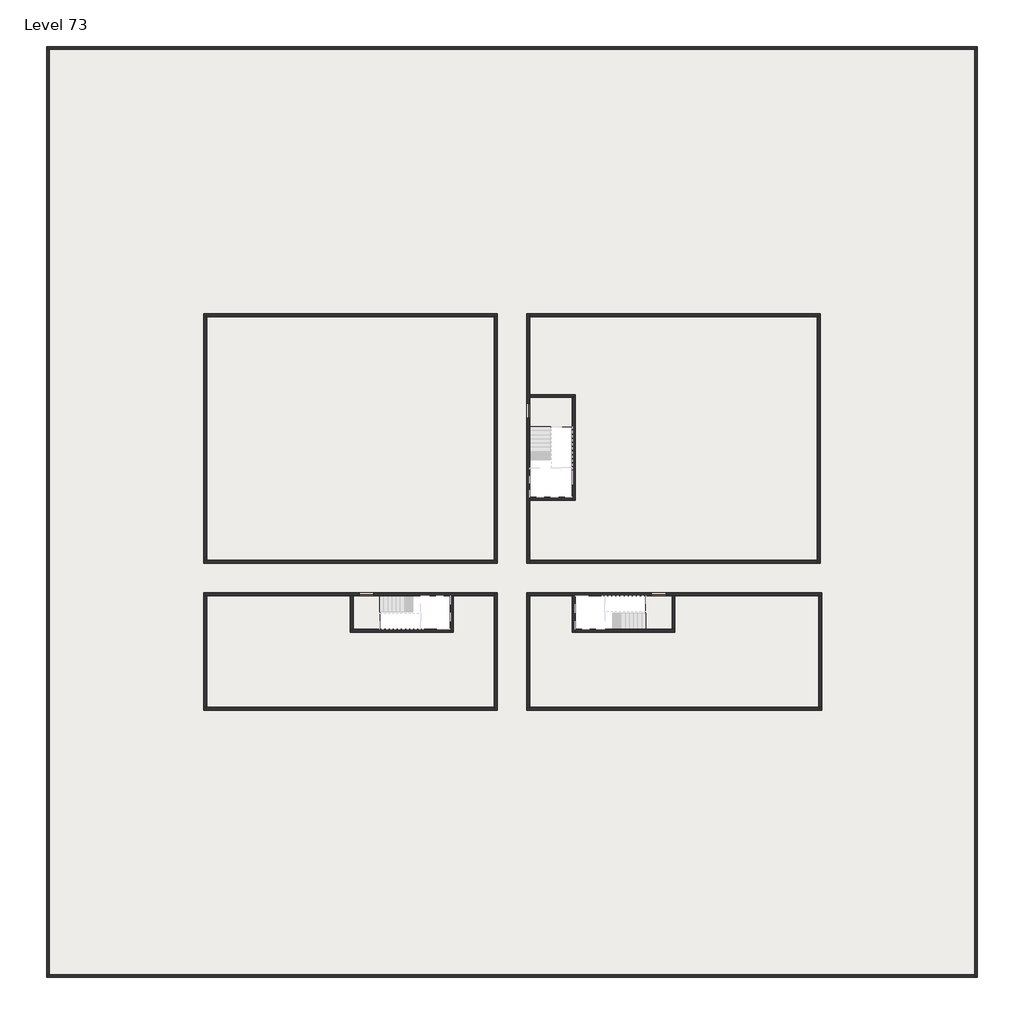
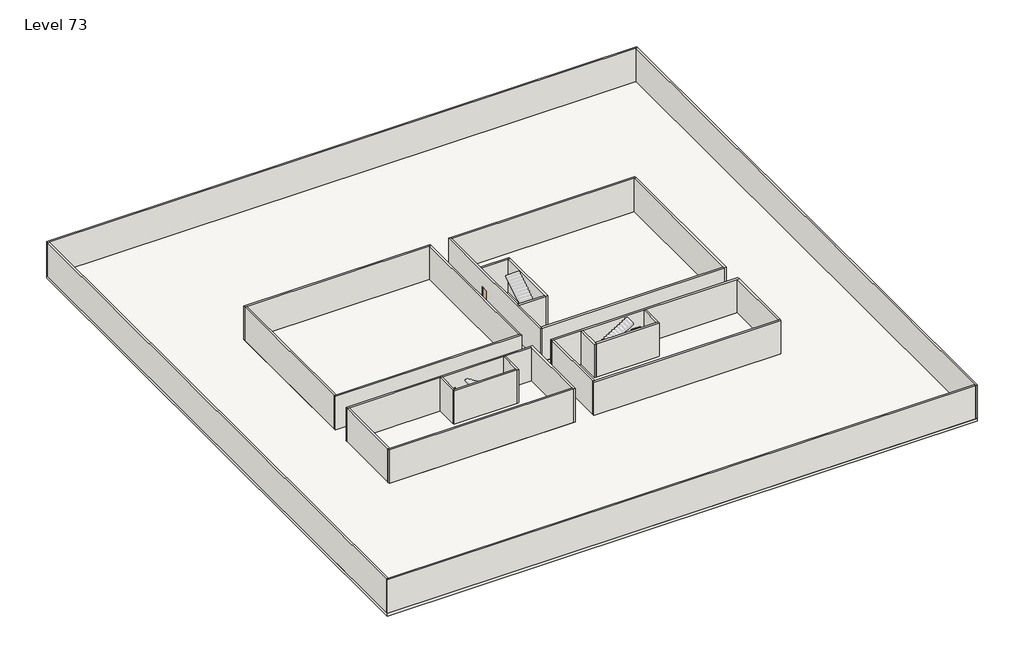
# One storey, part 1 of 2: 29 walls, 3 doors, 3 slabs.
"""IFC4 building model written with IfcOpenShell, lengths in millimetres."""

import ifcopenshell
import ifcopenshell.guid

model = None  # the IFC model being written
_history = None  # IfcOwnerHistory: only IFC2X3 demands one
_inside = {}  # id of a spatial element -> (the spatial element, [elements in it])
_under = {}  # id of a project, library or spatial element -> (it, [spatial elements below it])
_declared = {}  # id of a project -> (the project, [libraries it declares])
_typed = {}  # id of a type object -> (the type object, [elements of that type])
_made_of = {}  # id of a material, layer set ... -> (it, [elements and type objects made of it])


def new_model(schema):
    """Start an empty IFC model of exactly this schema.

    Asked for "IFC4X3", IfcOpenShell would pick the latest addendum, in which some entities
    have other attributes; the version numbers below select the first issue.
    IFC2X3 requires an IfcOwnerHistory on every rooted entity: one is made here for all.
    """
    global model, _history
    if schema == "IFC4X3":
        model = ifcopenshell.file(schema_version=(4, 3, 0, 0))
    else:
        model = ifcopenshell.file(schema=schema)
    _inside.clear()
    _under.clear()
    _declared.clear()
    _typed.clear()
    _made_of.clear()
    _history = None
    if model.schema == "IFC2X3":
        org = make("IfcOrganization", Name="unknown")
        user = make(
            "IfcPersonAndOrganization",
            ThePerson=make("IfcPerson", FamilyName="unknown"),
            TheOrganization=org,
        )
        app = make(
            "IfcApplication",
            ApplicationDeveloper=org,
            Version="unknown",
            ApplicationFullName="unknown",
            ApplicationIdentifier="unknown",
        )
        _history = make(
            "IfcOwnerHistory",
            OwningUser=user,
            OwningApplication=app,
            ChangeAction="ADDED",
            CreationDate=0,
        )
    return model


def make(cls, **values):
    """One entity of the class cls with the attributes given. An attribute that is None is left unset."""
    return model.create_entity(
        cls, **{name: value for name, value in values.items() if value is not None}
    )


def rooted(cls, **values):
    """An entity with a GlobalId (a new one), such as an element, a storey or a relation."""
    return make(cls, GlobalId=ifcopenshell.guid.new(), OwnerHistory=_history, **values)


def si_unit(unit_type, name, prefix=None):
    """IfcSIUnit, for example si_unit("LENGTHUNIT", "METRE", prefix="MILLI")."""
    return make("IfcSIUnit", UnitType=unit_type, Prefix=prefix, Name=name)


def assignment(units):
    """IfcUnitAssignment: the units of a project."""
    return None if units is None else make("IfcUnitAssignment", Units=units)


def point(xyz):
    """IfcCartesianPoint."""
    return None if xyz is None else make("IfcCartesianPoint", Coordinates=xyz)


def direction(xyz):
    """IfcDirection."""
    return None if xyz is None else make("IfcDirection", DirectionRatios=xyz)


def frame(location, z_axis=None, x_axis=None):
    """IfcAxis2Placement3D, a coordinate frame: its origin and axes. An axis left out is left unset."""
    return make(
        "IfcAxis2Placement3D",
        Location=point(location),
        Axis=direction(z_axis),
        RefDirection=direction(x_axis),
    )


def origin():
    """The frame at (0, 0, 0) with its axes left unset."""
    return frame((0.0, 0.0, 0.0))


def origin_with_axes():
    """The frame at (0, 0, 0) with the z axis (0, 0, 1) and the x axis (1, 0, 0) written out."""
    return frame((0.0, 0.0, 0.0), z_axis=(0.0, 0.0, 1.0), x_axis=(1.0, 0.0, 0.0))


def place(relative_to, where):
    """IfcLocalPlacement: puts the frame where relative to a parent placement (None: the world)."""
    return make(
        "IfcLocalPlacement", PlacementRelTo=relative_to, RelativePlacement=where
    )


def context(
    kind, dimensions, precision=None, world=None, true_north=None, identifier=None
):
    """IfcGeometricRepresentationContext, for example the 3D "Model" context."""
    return make(
        "IfcGeometricRepresentationContext",
        ContextIdentifier=identifier,
        ContextType=kind,
        CoordinateSpaceDimension=dimensions,
        Precision=precision,
        WorldCoordinateSystem=world,
        TrueNorth=true_north,
    )


def project(units=None, contexts=None):
    """IfcProject with its units and contexts."""
    return rooted(
        "IfcProject",
        Name="project",
        RepresentationContexts=contexts,
        UnitsInContext=assignment(units),
    )


def spatial(cls, under=None, at=None, **own):
    """A site, building, storey or space (cls), placed at a placement, below another one or the project."""
    s = rooted(cls, ObjectPlacement=at, **own)
    if under is not None:
        _under.setdefault(under.id(), (under, []))[1].append(s)
    return s


def polyline(points):
    """IfcPolyline through the points."""
    return make("IfcPolyline", Points=[point(p) for p in points])


def outline(outer, holes=None, kind="AREA"):
    """IfcArbitraryClosedProfileDef: a profile drawn as a closed curve; with holes, ...WithVoids."""
    if holes is None:
        return make("IfcArbitraryClosedProfileDef", ProfileType=kind, OuterCurve=outer)
    return make(
        "IfcArbitraryProfileDefWithVoids",
        ProfileType=kind,
        OuterCurve=outer,
        InnerCurves=holes,
    )


def extrude(swept, where, along, depth):
    """IfcExtrudedAreaSolid: the profile swept, set in the frame where, extruded along a direction by depth."""
    return make(
        "IfcExtrudedAreaSolid",
        SweptArea=swept,
        Position=where,
        ExtrudedDirection=direction(along),
        Depth=depth,
    )


def faces_of(points, faces, orient=None, outer=None):
    """IfcFace entities. A face is a list of loops; a loop is a list of indices into points, from 0.

    orient and outer hold one flag for each loop. By default every Orientation is true, the
    first loop of a face is its IfcFaceOuterBound and the others are IfcFaceBound.
    """
    made = []
    for i, loops in enumerate(faces):
        bounds = []
        for j, loop in enumerate(loops):
            is_outer = j == 0 if outer is None else outer[i][j]
            bounds.append(
                make(
                    "IfcFaceOuterBound" if is_outer else "IfcFaceBound",
                    Bound=make("IfcPolyLoop", Polygon=[points[k] for k in loop]),
                    Orientation=True if orient is None else orient[i][j],
                )
            )
        made.append(make("IfcFace", Bounds=bounds))
    return made


def faceted_brep(points, faces, orient=None, outer=None, voids=None):
    """IfcFacetedBrep: a solid bounded by flat faces; with voids (closed shells), ...WithVoids."""
    shared = [point(p) for p in points]
    hull = make("IfcClosedShell", CfsFaces=faces_of(shared, faces, orient, outer))
    if voids is None:
        return make("IfcFacetedBrep", Outer=hull)
    return make(
        "IfcFacetedBrepWithVoids",
        Outer=hull,
        Voids=[
            make(cls, CfsFaces=faces_of(shared, fs, o, b)) for cls, fs, o, b in voids
        ],
    )


def shape(context_of_items, identifier, shape_type, items):
    """IfcShapeRepresentation: the items that make up one representation, for example the "Body"."""
    return make(
        "IfcShapeRepresentation",
        ContextOfItems=context_of_items,
        RepresentationIdentifier=identifier,
        RepresentationType=shape_type,
        Items=items,
    )


def source(mapping_origin, context_of_items, identifier, shape_type, items):
    """IfcRepresentationMap: a shape defined once, which mapped items show again and again."""
    return make(
        "IfcRepresentationMap",
        MappingOrigin=mapping_origin,
        MappedRepresentation=shape(context_of_items, identifier, shape_type, items),
    )


def transform(
    local_origin,
    x_axis=None,
    y_axis=None,
    z_axis=None,
    scale=None,
    scale2=None,
    scale3=None,
    uniform=True,
):
    """IfcCartesianTransformationOperator3D, or its non-uniform kind. x_axis, y_axis, z_axis: its Axis1, 2, 3."""
    if uniform:
        return make(
            "IfcCartesianTransformationOperator3D",
            Axis1=direction(x_axis),
            Axis2=direction(y_axis),
            LocalOrigin=point(local_origin),
            Scale=scale,
            Axis3=direction(z_axis),
        )
    return make(
        "IfcCartesianTransformationOperator3DnonUniform",
        Axis1=direction(x_axis),
        Axis2=direction(y_axis),
        LocalOrigin=point(local_origin),
        Scale=scale,
        Axis3=direction(z_axis),
        Scale2=scale2,
        Scale3=scale3,
    )


def mapped(mapping_source, mapping_target):
    """IfcMappedItem: shows the shape of a source again, moved by a transform."""
    return make(
        "IfcMappedItem", MappingSource=mapping_source, MappingTarget=mapping_target
    )


def made_of(thing, what):
    """Note that an element or type object is made of a material, layer set ...; save() writes the relation."""
    if what is not None:
        _made_of.setdefault(what.id(), (what, []))[1].append(thing)
    return thing


def element(
    cls,
    number,
    at=None,
    inside=None,
    cuts=None,
    type_object=None,
    material=None,
    context=None,
    identifier="Body",
    shape_type=None,
    held_by="IfcProductDefinitionShape",
    body=None,
    shapes=None,
    **own,
):
    """One element of the class cls, such as IfcWall. Its Tag is "e" and its number.

    at: its placement. inside: the storey or other place that contains it. cuts: it is an
    opening in that element (IfcRelVoidsElement). A single representation is given by context,
    identifier, shape_type and body (its items); several are given by shapes. held_by: the class
    of the entity that holds the representations. save() writes the other relations.
    """
    e = rooted(cls, Tag="e%d" % number, ObjectPlacement=at, **own)
    if body is not None:
        shapes = [shape(context, identifier, shape_type, body)]
    if shapes is not None:
        e.Representation = make(held_by, Representations=shapes)
    if inside is not None:
        _inside.setdefault(inside.id(), (inside, []))[1].append(e)
    if cuts is not None:
        rooted(
            "IfcRelVoidsElement", RelatingBuildingElement=cuts, RelatedOpeningElement=e
        )
    if type_object is not None:
        _typed.setdefault(type_object.id(), (type_object, []))[1].append(e)
    return made_of(e, material)


def aggregate(whole, parts):
    """IfcRelAggregates: a whole, such as a stair, and the parts it consists of."""
    return rooted("IfcRelAggregates", RelatingObject=whole, RelatedObjects=parts)


def save(model, path):
    """Write the relations noted so far, then the file.

    IfcRelAggregates (storeys below a building ...), IfcRelContainedInSpatialStructure (elements
    in a storey), IfcRelDefinesByType, IfcRelAssociatesMaterial and IfcRelDeclares: one each for
    every whole, place, type object, material and project.
    """
    for whole, parts in _under.values():
        aggregate(whole, parts)
    for where, things in _inside.values():
        rooted(
            "IfcRelContainedInSpatialStructure",
            RelatedElements=things,
            RelatingStructure=where,
        )
    for kind, things in _typed.values():
        rooted("IfcRelDefinesByType", RelatedObjects=things, RelatingType=kind)
    for what, things in _made_of.values():
        rooted("IfcRelAssociatesMaterial", RelatedObjects=things, RelatingMaterial=what)
    for by, libraries in _declared.values():
        rooted("IfcRelDeclares", RelatingContext=by, RelatedDefinitions=libraries)
    model.write(path)


def door_fb3c37fd(model_context):
    return source(origin(), model_context, "Body", "SweptSolid", [
        extrude(outline(polyline([(500.0, 49.0), (-500.0, 49.0), (-500.0, 100.0), (500.0, 100.0), (500.0, 49.0)])), origin_with_axes(), (0.0, 0.0, 1.0), 2100.0),
    ])


def door_0317a72c(model_context):
    return source(origin(), model_context, "Body", "SweptSolid", [
        extrude(outline(polyline([(500.0, -49.0), (500.0, -100.0), (-500.0, -100.0), (-500.0, -49.0), (500.0, -49.0)])), origin_with_axes(), (0.0, 0.0, 1.0), 2100.0),
    ])


model = new_model("IFC4")

# Units and contexts
model_context = context("Model", 3, world=origin())
ifc_project = project(units=[si_unit("LENGTHUNIT", "METRE", prefix="MILLI")], contexts=[model_context])

# Site, building, storey
site = spatial("IfcSite", under=ifc_project)
building = spatial("IfcBuilding", under=site)
storey = spatial("IfcBuildingStorey", under=building, Name="Level 73", Elevation=273600.0)

# Doors
placement = place(None, origin())
door_shape = door_fb3c37fd(model_context)
element("IfcDoor", 1, at=placement, inside=storey, context=model_context, shape_type="MappedRepresentation", body=[
    mapped(door_shape, transform((14290.1058784, -42818.09644, 273600.0), x_axis=(-1.0, 0.0, 0.0), y_axis=(0.0, -1.0, 0.0), z_axis=(0.0, 0.0, 1.0))),
])
door_2_shape = door_0317a72c(model_context)
element("IfcDoor", 2, at=placement, inside=storey, context=model_context, shape_type="MappedRepresentation", body=[
    mapped(door_2_shape, transform((25290.1058784, -30318.09644, 273600.0), x_axis=(0.0, 1.0, 0.0), y_axis=(-1.0, 0.0, 0.0), z_axis=(0.0, 0.0, 1.0))),
])
element("IfcDoor", 3, at=placement, inside=storey, context=model_context, shape_type="MappedRepresentation", body=[
    mapped(door_2_shape, transform((34190.1058784, -42818.09644, 273600.0), x_axis=(1.0, 0.0, 0.0), y_axis=(0.0, 1.0, 0.0), z_axis=(0.0, 0.0, 1.0))),
])

# Slabs
element("IfcSlab", 4, at=placement, inside=storey, context=model_context, shape_type="SweptSolid", body=[
    extrude(outline(polyline([(55890.1058784, -5518.09644), (55890.1058784, -68918.09644), (-7509.8941216, -68918.09644), (-7509.8941216, -5518.09644), (55890.1058784, -5518.09644)]), holes=[polyline([(23190.1058784, -23718.09644), (3190.1058784, -23718.09644), (3190.1058784, -40718.09644), (23190.1058784, -40718.09644), (23190.1058784, -23718.09644)]), polyline([(45190.1058784, -23718.09644), (25190.1058784, -23718.09644), (25190.1058784, -40718.09644), (45190.1058784, -40718.09644), (45190.1058784, -23718.09644)]), polyline([(23190.1058784, -50718.09644), (23190.1058784, -42718.09644), (3390.1058784, -42718.09644), (3390.1058784, -50718.09644), (23190.1058784, -50718.09644)]), polyline([(25190.1058784, -50718.09644), (45190.1058784, -50718.09644), (45190.1058784, -42718.09644), (25190.1058784, -42718.09644), (25190.1058784, -50718.09644)])]), frame((0.0, 0.0, 273300.0), z_axis=(0.0, 0.0, 1.0), x_axis=(1.0, 0.0, 0.0)), (0.0, 0.0, 1.0), 300.0),
])
element("IfcSlab", 5, at=placement, inside=storey, context=model_context, shape_type="SweptSolid", body=[
    extrude(outline(polyline([(22990.1058784, -23918.09644), (22990.1058784, -40518.09644), (3390.1058784, -40518.09644), (3390.1058784, -23918.09644), (22990.1058784, -23918.09644)])), frame((0.0, 0.0, 273300.0), z_axis=(0.0, 0.0, 1.0), x_axis=(1.0, 0.0, 0.0)), (0.0, 0.0, 1.0), 300.0),
    extrude(outline(polyline([(44990.1058784, -23918.09644), (44990.1058784, -40518.09644), (25390.1058784, -40518.09644), (25390.1058784, -36418.09644), (28490.1058784, -36418.09644), (28490.1058784, -29218.09644), (25390.1058784, -29218.09644), (25390.1058784, -23918.09644), (44990.1058784, -23918.09644)])), frame((0.0, 0.0, 273300.0), z_axis=(0.0, 0.0, 1.0), x_axis=(1.0, 0.0, 0.0)), (0.0, 0.0, 1.0), 300.0),
    extrude(outline(polyline([(22990.1058784, -42918.09644), (22990.1058784, -50518.09644), (3390.1058784, -50518.09644), (3390.1058784, -42918.09644), (13190.1058784, -42918.09644), (13190.1058784, -45418.09644), (20190.1058784, -45418.09644), (20190.1058784, -42918.09644), (22990.1058784, -42918.09644)])), frame((0.0, 0.0, 273300.0), z_axis=(0.0, 0.0, 1.0), x_axis=(1.0, 0.0, 0.0)), (0.0, 0.0, 1.0), 300.0),
    extrude(outline(polyline([(28290.1058784, -42918.09644), (28290.1058784, -45418.09644), (35290.1058784, -45418.09644), (35290.1058784, -42918.09644), (45090.1058784, -42918.09644), (45090.1058784, -50518.09644), (25390.1058784, -50518.09644), (25390.1058784, -42918.09644), (28290.1058784, -42918.09644)])), frame((0.0, 0.0, 273300.0), z_axis=(0.0, 0.0, 1.0), x_axis=(1.0, 0.0, 0.0)), (0.0, 0.0, 1.0), 300.0),
])
element("IfcSlab", 6, at=placement, inside=storey, context=model_context, shape_type="SweptSolid", body=[
    extrude(outline(polyline([(25190.1058784, -29418.09644), (28290.1058784, -29418.09644), (28290.1058784, -31418.09644), (25190.1058784, -31418.09644), (25190.1058784, -29418.09644)])), frame((0.0, 0.0, 273300.0), z_axis=(0.0, 0.0, 1.0), x_axis=(1.0, 0.0, 0.0)), (0.0, 0.0, 1.0), 300.0),
    extrude(outline(polyline([(15190.1058784, -45218.09644), (13390.1058784, -45218.09644), (13390.1058784, -42718.09644), (15190.1058784, -42718.09644), (15190.1058784, -45218.09644)])), frame((0.0, 0.0, 273300.0), z_axis=(0.0, 0.0, 1.0), x_axis=(1.0, 0.0, 0.0)), (0.0, 0.0, 1.0), 300.0),
    extrude(outline(polyline([(35090.1058784, -45218.09644), (33290.1058784, -45218.09644), (33290.1058784, -42718.09644), (35090.1058784, -42718.09644), (35090.1058784, -45218.09644)])), frame((0.0, 0.0, 273300.0), z_axis=(0.0, 0.0, 1.0), x_axis=(1.0, 0.0, 0.0)), (0.0, 0.0, 1.0), 300.0),
])

# Walls
element("IfcWall", 7, at=placement, inside=storey, context=model_context, shape_type="Brep", body=[
    faceted_brep([(-7509.8941216, -5718.09644, 273600.0), (-7309.8941216, -5718.09644, 273600.0), (55690.1058784, -5718.09644, 273600.0), (55890.1058784, -5718.09644, 273600.0), (55890.1058784, -5718.09644, 277400.0), (55690.1058784, -5718.09644, 277400.0), (-7309.8941216, -5718.09644, 277400.0), (-7509.8941216, -5718.09644, 277400.0), (-7509.8941216, -5518.09644, 273600.0), (-7509.8941216, -5518.09644, 277400.0), (55890.1058784, -5518.09644, 277400.0), (55890.1058784, -5518.09644, 273600.0)], [[[0, 1, 2, 3, 4, 5, 6, 7]], [[8, 9, 10, 11]], [[3, 2, 1, 0, 8, 11]], [[7, 6, 5, 4, 10, 9]], [[4, 3, 11, 10]], [[0, 7, 9, 8]]]),
])
element("IfcWall", 8, at=placement, inside=storey, context=model_context, shape_type="Brep", body=[
    faceted_brep([(55690.1058784, -5718.09644, 273600.0), (55690.1058784, -68718.09644, 273600.0), (55690.1058784, -68918.09644, 273600.0), (55690.1058784, -68918.09644, 277400.0), (55690.1058784, -68718.09644, 277400.0), (55690.1058784, -5718.09644, 277400.0), (55890.1058784, -5718.09644, 273600.0), (55890.1058784, -5718.09644, 277400.0), (55890.1058784, -68918.09644, 277400.0), (55890.1058784, -68918.09644, 273600.0)], [[[0, 1, 2, 3, 4, 5]], [[6, 7, 8, 9]], [[2, 1, 0, 6, 9]], [[5, 4, 3, 8, 7]], [[0, 5, 7, 6]], [[3, 2, 9, 8]]]),
])
element("IfcWall", 9, at=placement, inside=storey, context=model_context, shape_type="Brep", body=[
    faceted_brep([(55690.1058784, -68718.09644, 273600.0), (-7309.8941216, -68718.09644, 273600.0), (-7509.8941216, -68718.09644, 273600.0), (-7509.8941216, -68718.09644, 277400.0), (-7309.8941216, -68718.09644, 277400.0), (55690.1058784, -68718.09644, 277400.0), (55690.1058784, -68918.09644, 273600.0), (55690.1058784, -68918.09644, 277400.0), (-7509.8941216, -68918.09644, 277400.0), (-7509.8941216, -68918.09644, 273600.0)], [[[0, 1, 2, 3, 4, 5]], [[6, 7, 8, 9]], [[2, 1, 0, 6, 9]], [[5, 4, 3, 8, 7]], [[0, 5, 7, 6]], [[3, 2, 9, 8]]]),
])
element("IfcWall", 10, at=placement, inside=storey, context=model_context, shape_type="SweptSolid", body=[
    extrude(outline(polyline([(-7309.8941216, -5718.09644), (-7309.8941216, -68718.09644), (-7509.8941216, -68718.09644), (-7509.8941216, -5718.09644), (-7309.8941216, -5718.09644)])), frame((0.0, 0.0, 273600.0), z_axis=(0.0, 0.0, 1.0), x_axis=(1.0, 0.0, 0.0)), (0.0, 0.0, 1.0), 3800.0),
])
element("IfcWall", 11, at=placement, inside=storey, context=model_context, shape_type="Brep", body=[
    faceted_brep([(3190.1058784, -23918.09644, 273600.0), (3390.1058784, -23918.09644, 273600.0), (22990.1058784, -23918.09644, 273600.0), (23190.1058784, -23918.09644, 273600.0), (23190.1058784, -23918.09644, 277400.0), (22990.1058784, -23918.09644, 277400.0), (3390.1058784, -23918.09644, 277400.0), (3190.1058784, -23918.09644, 277400.0), (3190.1058784, -23718.09644, 273600.0), (3190.1058784, -23718.09644, 277400.0), (23190.1058784, -23718.09644, 277400.0), (23190.1058784, -23718.09644, 273600.0)], [[[0, 1, 2, 3, 4, 5, 6, 7]], [[8, 9, 10, 11]], [[3, 2, 1, 0, 8, 11]], [[7, 6, 5, 4, 10, 9]], [[0, 7, 9, 8]], [[4, 3, 11, 10]]]),
])
element("IfcWall", 12, at=placement, inside=storey, context=model_context, shape_type="Brep", body=[
    faceted_brep([(44990.1058784, -23918.09644, 273600.0), (44990.1058784, -40518.09644, 273600.0), (44990.1058784, -40718.09644, 273600.0), (44990.1058784, -40718.09644, 277400.0), (44990.1058784, -40518.09644, 277400.0), (44990.1058784, -23918.09644, 277400.0), (45190.1058784, -23918.09644, 273600.0), (45190.1058784, -23918.09644, 277400.0), (45190.1058784, -40718.09644, 277400.0), (45190.1058784, -40718.09644, 273600.0)], [[[0, 1, 2, 3, 4, 5]], [[6, 7, 8, 9]], [[2, 1, 0, 6, 9]], [[5, 4, 3, 8, 7]], [[3, 2, 9, 8]], [[0, 5, 7, 6]]]),
])
element("IfcWall", 13, at=placement, inside=storey, context=model_context, shape_type="Brep", body=[
    faceted_brep([(45290.1058784, -50518.09644, 273600.0), (45090.1058784, -50518.09644, 273600.0), (25390.1058784, -50518.09644, 273600.0), (25190.1058784, -50518.09644, 273600.0), (25190.1058784, -50518.09644, 277400.0), (25390.1058784, -50518.09644, 277400.0), (45090.1058784, -50518.09644, 277400.0), (45290.1058784, -50518.09644, 277400.0), (45290.1058784, -50718.09644, 273600.0), (45290.1058784, -50718.09644, 277400.0), (25190.1058784, -50718.09644, 277400.0), (25190.1058784, -50718.09644, 273600.0)], [[[0, 1, 2, 3, 4, 5, 6, 7]], [[8, 9, 10, 11]], [[3, 2, 1, 0, 8, 11]], [[7, 6, 5, 4, 10, 9]], [[4, 3, 11, 10]], [[0, 7, 9, 8]]]),
])
element("IfcWall", 14, at=placement, inside=storey, context=model_context, shape_type="SweptSolid", body=[
    extrude(outline(polyline([(22990.1058784, -40518.09644), (22990.1058784, -23918.09644), (23190.1058784, -23918.09644), (23190.1058784, -40518.09644), (22990.1058784, -40518.09644)])), frame((0.0, 0.0, 273600.0), z_axis=(0.0, 0.0, 1.0), x_axis=(1.0, 0.0, 0.0)), (0.0, 0.0, 1.0), 3800.0),
])
element("IfcWall", 15, at=placement, inside=storey, context=model_context, shape_type="Brep", body=[
    faceted_brep([(23190.1058784, -40518.09644, 273600.0), (22990.1058784, -40518.09644, 273600.0), (3390.1058784, -40518.09644, 273600.0), (3190.1058784, -40518.09644, 273600.0), (3190.1058784, -40518.09644, 277400.0), (3390.1058784, -40518.09644, 277400.0), (22990.1058784, -40518.09644, 277400.0), (23190.1058784, -40518.09644, 277400.0), (23190.1058784, -40718.09644, 273600.0), (23190.1058784, -40718.09644, 277400.0), (3190.1058784, -40718.09644, 277400.0), (3190.1058784, -40718.09644, 273600.0)], [[[0, 1, 2, 3, 4, 5, 6, 7]], [[8, 9, 10, 11]], [[3, 2, 1, 0, 8, 11]], [[7, 6, 5, 4, 10, 9]], [[4, 3, 11, 10]], [[0, 7, 9, 8]]]),
])
element("IfcWall", 16, at=placement, inside=storey, context=model_context, shape_type="Brep", body=[
    faceted_brep([(3190.1058784, -42918.09644, 273600.0), (3390.1058784, -42918.09644, 273600.0), (13190.1058784, -42918.09644, 273600.0), (13390.1058784, -42918.09644, 273600.0), (13790.1058784, -42918.09644, 273600.0), (13790.1058784, -42918.09644, 275700.0), (14790.1058784, -42918.09644, 275700.0), (14790.1058784, -42918.09644, 273600.0), (19990.1058784, -42918.09644, 273600.0), (20190.1058784, -42918.09644, 273600.0), (22990.1058784, -42918.09644, 273600.0), (22990.1058784, -42918.09644, 277400.0), (20190.1058784, -42918.09644, 277400.0), (19990.1058784, -42918.09644, 277400.0), (13390.1058784, -42918.09644, 277400.0), (13190.1058784, -42918.09644, 277400.0), (3390.1058784, -42918.09644, 277400.0), (3190.1058784, -42918.09644, 277400.0), (13790.1058784, -42718.09644, 275700.0), (13790.1058784, -42718.09644, 273600.0), (3190.1058784, -42718.09644, 273600.0), (3190.1058784, -42718.09644, 277400.0), (22990.1058784, -42718.09644, 277400.0), (22990.1058784, -42718.09644, 273600.0), (14790.1058784, -42718.09644, 273600.0), (14790.1058784, -42718.09644, 275700.0)], [[[0, 1, 2, 3, 4, 5, 6, 7, 8, 9, 10, 11, 12, 13, 14, 15, 16, 17]], [[18, 19, 20, 21, 22, 23, 24, 25]], [[24, 23, 10, 9, 8, 7]], [[20, 19, 4, 3, 2, 1, 0]], [[17, 16, 15, 14, 13, 12, 11, 22, 21]], [[5, 4, 19, 18]], [[6, 5, 18, 25]], [[7, 6, 25, 24]], [[0, 17, 21, 20]], [[11, 10, 23, 22]]]),
])
element("IfcWall", 17, at=placement, inside=storey, context=model_context, shape_type="SweptSolid", body=[
    extrude(outline(polyline([(25390.1058784, -40518.09644), (44990.1058784, -40518.09644), (44990.1058784, -40718.09644), (25390.1058784, -40718.09644), (25390.1058784, -40518.09644)])), frame((0.0, 0.0, 273600.0), z_axis=(0.0, 0.0, 1.0), x_axis=(1.0, 0.0, 0.0)), (0.0, 0.0, 1.0), 3800.0),
])
element("IfcWall", 18, at=placement, inside=storey, context=model_context, shape_type="Brep", body=[
    faceted_brep([(25390.1058784, -29818.09644, 275700.0), (25390.1058784, -29818.09644, 273600.0), (25390.1058784, -29418.09644, 273600.0), (25390.1058784, -29218.09644, 273600.0), (25390.1058784, -23918.09644, 273600.0), (25390.1058784, -23718.09644, 273600.0), (25390.1058784, -23718.09644, 277400.0), (25390.1058784, -23918.09644, 277400.0), (25390.1058784, -29218.09644, 277400.0), (25390.1058784, -29418.09644, 277400.0), (25390.1058784, -36218.09644, 277400.0), (25390.1058784, -36418.09644, 277400.0), (25390.1058784, -40518.09644, 277400.0), (25390.1058784, -40718.09644, 277400.0), (25390.1058784, -40718.09644, 273600.0), (25390.1058784, -40518.09644, 273600.0), (25390.1058784, -36418.09644, 273600.0), (25390.1058784, -36218.09644, 273600.0), (25390.1058784, -30818.09644, 273600.0), (25390.1058784, -30818.09644, 275700.0), (25190.1058784, -23718.09644, 273600.0), (25190.1058784, -29818.09644, 273600.0), (25190.1058784, -29818.09644, 275700.0), (25190.1058784, -30818.09644, 275700.0), (25190.1058784, -30818.09644, 273600.0), (25190.1058784, -40718.09644, 273600.0), (25190.1058784, -40718.09644, 277400.0), (25190.1058784, -23718.09644, 277400.0)], [[[0, 1, 2, 3, 4, 5, 6, 7, 8, 9, 10, 11, 12, 13, 14, 15, 16, 17, 18, 19]], [[20, 21, 22, 23, 24, 25, 26, 27]], [[5, 4, 3, 2, 1, 21, 20]], [[18, 17, 16, 15, 14, 25, 24]], [[13, 12, 11, 10, 9, 8, 7, 6, 27, 26]], [[22, 21, 1, 0]], [[23, 22, 0, 19]], [[24, 23, 19, 18]], [[14, 13, 26, 25]], [[6, 5, 20, 27]]]),
])
element("IfcWall", 19, at=placement, inside=storey, context=model_context, shape_type="SweptSolid", body=[
    extrude(outline(polyline([(3390.1058784, -23918.09644), (3390.1058784, -40518.09644), (3190.1058784, -40518.09644), (3190.1058784, -23918.09644), (3390.1058784, -23918.09644)])), frame((0.0, 0.0, 273600.0), z_axis=(0.0, 0.0, 1.0), x_axis=(1.0, 0.0, 0.0)), (0.0, 0.0, 1.0), 3800.0),
])
element("IfcWall", 20, at=placement, inside=storey, context=model_context, shape_type="Brep", body=[
    faceted_brep([(25390.1058784, -23918.09644, 273600.0), (44990.1058784, -23918.09644, 273600.0), (45190.1058784, -23918.09644, 273600.0), (45190.1058784, -23918.09644, 277400.0), (44990.1058784, -23918.09644, 277400.0), (25390.1058784, -23918.09644, 277400.0), (25390.1058784, -23718.09644, 273600.0), (25390.1058784, -23718.09644, 277400.0), (45190.1058784, -23718.09644, 277400.0), (45190.1058784, -23718.09644, 273600.0)], [[[0, 1, 2, 3, 4, 5]], [[6, 7, 8, 9]], [[2, 1, 0, 6, 9]], [[5, 4, 3, 8, 7]], [[3, 2, 9, 8]], [[0, 5, 7, 6]]]),
])
element("IfcWall", 21, at=placement, inside=storey, context=model_context, shape_type="Brep", body=[
    faceted_brep([(25390.1058784, -29418.09644, 273600.0), (28290.1058784, -29418.09644, 273600.0), (28490.1058784, -29418.09644, 273600.0), (28490.1058784, -29418.09644, 277400.0), (28290.1058784, -29418.09644, 277400.0), (25390.1058784, -29418.09644, 277400.0), (25390.1058784, -29218.09644, 273600.0), (25390.1058784, -29218.09644, 277400.0), (28490.1058784, -29218.09644, 277400.0), (28490.1058784, -29218.09644, 273600.0)], [[[0, 1, 2, 3, 4, 5]], [[6, 7, 8, 9]], [[2, 1, 0, 6, 9]], [[5, 4, 3, 8, 7]], [[3, 2, 9, 8]], [[0, 5, 7, 6]]]),
])
element("IfcWall", 22, at=placement, inside=storey, context=model_context, shape_type="Brep", body=[
    faceted_brep([(28290.1058784, -29418.09644, 273600.0), (28290.1058784, -36218.09644, 273600.0), (28290.1058784, -36418.09644, 273600.0), (28290.1058784, -36418.09644, 277400.0), (28290.1058784, -36218.09644, 277400.0), (28290.1058784, -29418.09644, 277400.0), (28490.1058784, -29418.09644, 273600.0), (28490.1058784, -29418.09644, 277400.0), (28490.1058784, -36418.09644, 277400.0), (28490.1058784, -36418.09644, 273600.0)], [[[0, 1, 2, 3, 4, 5]], [[6, 7, 8, 9]], [[2, 1, 0, 6, 9]], [[5, 4, 3, 8, 7]], [[3, 2, 9, 8]], [[0, 5, 7, 6]]]),
])
element("IfcWall", 23, at=placement, inside=storey, context=model_context, shape_type="SweptSolid", body=[
    extrude(outline(polyline([(25390.1058784, -36218.09644), (28290.1058784, -36218.09644), (28290.1058784, -36418.09644), (25390.1058784, -36418.09644), (25390.1058784, -36218.09644)])), frame((0.0, 0.0, 273600.0), z_axis=(0.0, 0.0, 1.0), x_axis=(1.0, 0.0, 0.0)), (0.0, 0.0, 1.0), 3800.0),
])
element("IfcWall", 24, at=placement, inside=storey, context=model_context, shape_type="SweptSolid", body=[
    extrude(outline(polyline([(25190.1058784, -50518.09644), (25190.1058784, -42918.09644), (25390.1058784, -42918.09644), (25390.1058784, -50518.09644), (25190.1058784, -50518.09644)])), frame((0.0, 0.0, 273600.0), z_axis=(0.0, 0.0, 1.0), x_axis=(1.0, 0.0, 0.0)), (0.0, 0.0, 1.0), 3800.0),
])
element("IfcWall", 25, at=placement, inside=storey, context=model_context, shape_type="Brep", body=[
    faceted_brep([(22990.1058784, -42718.09644, 273600.0), (22990.1058784, -42918.09644, 273600.0), (22990.1058784, -50518.09644, 273600.0), (22990.1058784, -50718.09644, 273600.0), (22990.1058784, -50718.09644, 277400.0), (22990.1058784, -50518.09644, 277400.0), (22990.1058784, -42918.09644, 277400.0), (22990.1058784, -42718.09644, 277400.0), (23190.1058784, -42718.09644, 273600.0), (23190.1058784, -42718.09644, 277400.0), (23190.1058784, -50718.09644, 277400.0), (23190.1058784, -50718.09644, 273600.0)], [[[0, 1, 2, 3, 4, 5, 6, 7]], [[8, 9, 10, 11]], [[3, 2, 1, 0, 8, 11]], [[7, 6, 5, 4, 10, 9]], [[4, 3, 11, 10]], [[0, 7, 9, 8]]]),
])
element("IfcWall", 26, at=placement, inside=storey, context=model_context, shape_type="Brep", body=[
    faceted_brep([(34690.1058784, -42918.09644, 275700.0), (34690.1058784, -42918.09644, 273600.0), (35090.1058784, -42918.09644, 273600.0), (35290.1058784, -42918.09644, 273600.0), (45090.1058784, -42918.09644, 273600.0), (45290.1058784, -42918.09644, 273600.0), (45290.1058784, -42918.09644, 277400.0), (45090.1058784, -42918.09644, 277400.0), (35290.1058784, -42918.09644, 277400.0), (35090.1058784, -42918.09644, 277400.0), (28490.1058784, -42918.09644, 277400.0), (28290.1058784, -42918.09644, 277400.0), (25390.1058784, -42918.09644, 277400.0), (25190.1058784, -42918.09644, 277400.0), (25190.1058784, -42918.09644, 273600.0), (25390.1058784, -42918.09644, 273600.0), (28290.1058784, -42918.09644, 273600.0), (28490.1058784, -42918.09644, 273600.0), (33690.1058784, -42918.09644, 273600.0), (33690.1058784, -42918.09644, 275700.0), (45290.1058784, -42718.09644, 273600.0), (34690.1058784, -42718.09644, 273600.0), (34690.1058784, -42718.09644, 275700.0), (33690.1058784, -42718.09644, 275700.0), (33690.1058784, -42718.09644, 273600.0), (25190.1058784, -42718.09644, 273600.0), (25190.1058784, -42718.09644, 277400.0), (45290.1058784, -42718.09644, 277400.0)], [[[0, 1, 2, 3, 4, 5, 6, 7, 8, 9, 10, 11, 12, 13, 14, 15, 16, 17, 18, 19]], [[20, 21, 22, 23, 24, 25, 26, 27]], [[5, 4, 3, 2, 1, 21, 20]], [[18, 17, 16, 15, 14, 25, 24]], [[13, 12, 11, 10, 9, 8, 7, 6, 27, 26]], [[22, 21, 1, 0]], [[23, 22, 0, 19]], [[24, 23, 19, 18]], [[14, 13, 26, 25]], [[6, 5, 20, 27]]]),
])
element("IfcWall", 27, at=placement, inside=storey, context=model_context, shape_type="Brep", body=[
    faceted_brep([(22990.1058784, -50518.09644, 273600.0), (3390.1058784, -50518.09644, 273600.0), (3190.1058784, -50518.09644, 273600.0), (3190.1058784, -50518.09644, 277400.0), (3390.1058784, -50518.09644, 277400.0), (22990.1058784, -50518.09644, 277400.0), (22990.1058784, -50718.09644, 273600.0), (22990.1058784, -50718.09644, 277400.0), (3190.1058784, -50718.09644, 277400.0), (3190.1058784, -50718.09644, 273600.0)], [[[0, 1, 2, 3, 4, 5]], [[6, 7, 8, 9]], [[2, 1, 0, 6, 9]], [[5, 4, 3, 8, 7]], [[3, 2, 9, 8]], [[0, 5, 7, 6]]]),
])
element("IfcWall", 28, at=placement, inside=storey, context=model_context, shape_type="Brep", body=[
    faceted_brep([(28290.1058784, -42918.09644, 273600.0), (28290.1058784, -45418.09644, 273600.0), (28290.1058784, -45418.09644, 277400.0), (28290.1058784, -42918.09644, 277400.0), (28490.1058784, -42918.09644, 273600.0), (28490.1058784, -42918.09644, 277400.0), (28490.1058784, -45218.09644, 277400.0), (28490.1058784, -45418.09644, 277400.0), (28490.1058784, -45418.09644, 273600.0), (28490.1058784, -45218.09644, 273600.0)], [[[0, 1, 2, 3]], [[4, 5, 6, 7, 8, 9]], [[1, 0, 4, 9, 8]], [[3, 2, 7, 6, 5]], [[2, 1, 8, 7]], [[0, 3, 5, 4]]]),
])
element("IfcWall", 29, at=placement, inside=storey, context=model_context, shape_type="Brep", body=[
    faceted_brep([(28490.1058784, -45418.09644, 273600.0), (35290.1058784, -45418.09644, 273600.0), (35290.1058784, -45418.09644, 277400.0), (28490.1058784, -45418.09644, 277400.0), (28490.1058784, -45218.09644, 273600.0), (28490.1058784, -45218.09644, 277400.0), (35090.1058784, -45218.09644, 277400.0), (35290.1058784, -45218.09644, 277400.0), (35290.1058784, -45218.09644, 273600.0), (35090.1058784, -45218.09644, 273600.0)], [[[0, 1, 2, 3]], [[4, 5, 6, 7, 8, 9]], [[1, 0, 4, 9, 8]], [[3, 2, 7, 6, 5]], [[2, 1, 8, 7]], [[0, 3, 5, 4]]]),
])
element("IfcWall", 30, at=placement, inside=storey, context=model_context, shape_type="SweptSolid", body=[
    extrude(outline(polyline([(35290.1058784, -42918.09644), (35290.1058784, -45218.09644), (35090.1058784, -45218.09644), (35090.1058784, -42918.09644), (35290.1058784, -42918.09644)])), frame((0.0, 0.0, 273600.0), z_axis=(0.0, 0.0, 1.0), x_axis=(1.0, 0.0, 0.0)), (0.0, 0.0, 1.0), 3800.0),
])
element("IfcWall", 31, at=placement, inside=storey, context=model_context, shape_type="Brep", body=[
    faceted_brep([(19990.1058784, -42918.09644, 273600.0), (19990.1058784, -45218.09644, 273600.0), (19990.1058784, -45418.09644, 273600.0), (19990.1058784, -45418.09644, 277400.0), (19990.1058784, -45218.09644, 277400.0), (19990.1058784, -42918.09644, 277400.0), (20190.1058784, -42918.09644, 273600.0), (20190.1058784, -42918.09644, 277400.0), (20190.1058784, -45418.09644, 277400.0), (20190.1058784, -45418.09644, 273600.0)], [[[0, 1, 2, 3, 4, 5]], [[6, 7, 8, 9]], [[2, 1, 0, 6, 9]], [[5, 4, 3, 8, 7]], [[3, 2, 9, 8]], [[0, 5, 7, 6]]]),
])
element("IfcWall", 32, at=placement, inside=storey, context=model_context, shape_type="Brep", body=[
    faceted_brep([(19990.1058784, -45218.09644, 273600.0), (13390.1058784, -45218.09644, 273600.0), (13190.1058784, -45218.09644, 273600.0), (13190.1058784, -45218.09644, 277400.0), (13390.1058784, -45218.09644, 277400.0), (19990.1058784, -45218.09644, 277400.0), (19990.1058784, -45418.09644, 273600.0), (19990.1058784, -45418.09644, 277400.0), (13190.1058784, -45418.09644, 277400.0), (13190.1058784, -45418.09644, 273600.0)], [[[0, 1, 2, 3, 4, 5]], [[6, 7, 8, 9]], [[2, 1, 0, 6, 9]], [[5, 4, 3, 8, 7]], [[0, 5, 7, 6]], [[3, 2, 9, 8]]]),
])
element("IfcWall", 33, at=placement, inside=storey, context=model_context, shape_type="SweptSolid", body=[
    extrude(outline(polyline([(13390.1058784, -42918.09644), (13390.1058784, -45218.09644), (13190.1058784, -45218.09644), (13190.1058784, -42918.09644), (13390.1058784, -42918.09644)])), frame((0.0, 0.0, 273600.0), z_axis=(0.0, 0.0, 1.0), x_axis=(1.0, 0.0, 0.0)), (0.0, 0.0, 1.0), 3800.0),
])
element("IfcWall", 34, at=placement, inside=storey, context=model_context, shape_type="SweptSolid", body=[
    extrude(outline(polyline([(45290.1058784, -42918.09644), (45290.1058784, -50518.09644), (45090.1058784, -50518.09644), (45090.1058784, -42918.09644), (45290.1058784, -42918.09644)])), frame((0.0, 0.0, 273600.0), z_axis=(0.0, 0.0, 1.0), x_axis=(1.0, 0.0, 0.0)), (0.0, 0.0, 1.0), 3800.0),
])
element("IfcWall", 35, at=placement, inside=storey, context=model_context, shape_type="SweptSolid", body=[
    extrude(outline(polyline([(3390.1058784, -42918.09644), (3390.1058784, -50518.09644), (3190.1058784, -50518.09644), (3190.1058784, -42918.09644), (3390.1058784, -42918.09644)])), frame((0.0, 0.0, 273600.0), z_axis=(0.0, 0.0, 1.0), x_axis=(1.0, 0.0, 0.0)), (0.0, 0.0, 1.0), 3800.0),
])

save(model, "model.ifc")
